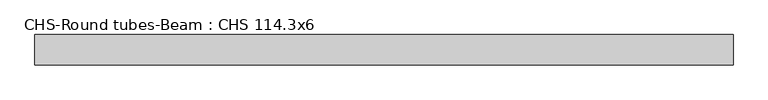
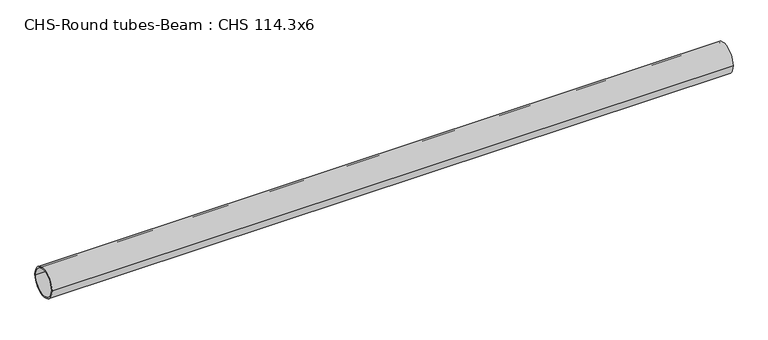
"""IFC4 building model written with IfcOpenShell, lengths in millimetres: beam geometry, CHS-Round tubes-Beam : CHS 114.3x6."""

from ifc_helpers import new_model, si_unit, point, frame, origin, origin_2d, place, context, project, spatial, circle_curve, trimmed, segment, composite_curve, outline, extrude, source, transform, mapped, element, save


def chs_round_tubes_beam_chs_114_3x6_a890b1cf(model_context):
    return source(origin(), model_context, "Body", "SweptSolid", [
        extrude(outline(composite_curve([segment(trimmed(circle_curve(origin_2d(), 57.15), [point((57.15, 0.0))], [point((-57.15, 0.0))], False, "CARTESIAN"), True, "CONTINUOUS"), segment(trimmed(circle_curve(origin_2d(), 57.15), [point((-57.15, 0.0))], [point((57.15, 0.0))], False, "CARTESIAN"), True, "CONTINUOUS")], self_intersect=False), holes=[composite_curve([segment(trimmed(circle_curve(origin_2d(), 51.15), [point((51.15, 0.0))], [point((-51.15, 0.0))], True, "CARTESIAN"), True, "CONTINUOUS"), segment(trimmed(circle_curve(origin_2d(), 51.15), [point((-51.15, 0.0))], [point((51.15, 0.0))], True, "CARTESIAN"), True, "CONTINUOUS")], self_intersect=False)]), frame((-1243.2284992, 0.0, 0.0), z_axis=(1.0, 0.0, 0.0), x_axis=(0.0, 1.0, 0.0)), (0.0, 0.0, 1.0), 2624.905399),
    ])


if __name__ == "__main__":
    model = new_model("IFC4")
    model_context = context("Model", 3, world=origin())
    ifc_project = project(units=[si_unit("LENGTHUNIT", "METRE", prefix="MILLI")], contexts=[model_context])
    site = spatial("IfcSite", under=ifc_project)
    building = spatial("IfcBuilding", under=site)
    placement = place(None, origin())
    chs_round_tubes_beam_chs_114_3x6_shape = chs_round_tubes_beam_chs_114_3x6_a890b1cf(model_context)
    element("IfcBeam", 1, ObjectType="CHS-Round tubes-Beam : CHS 114.3x6", at=placement, inside=building, context=model_context, shape_type="MappedRepresentation", body=[
        mapped(chs_round_tubes_beam_chs_114_3x6_shape, transform((0.0, 0.0, 0.0), x_axis=(1.0, 0.0, 0.0), y_axis=(0.0, 1.0, 0.0), z_axis=(0.0, 0.0, 1.0))),
    ])
    save(model, "model.ifc")
